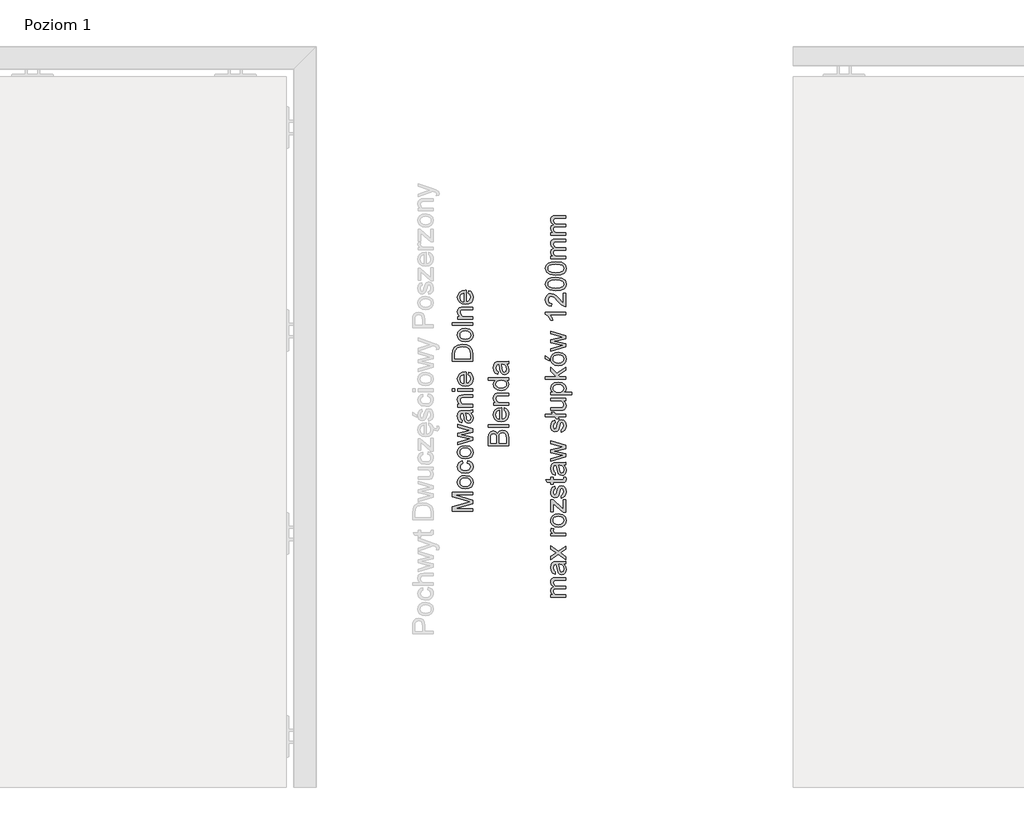
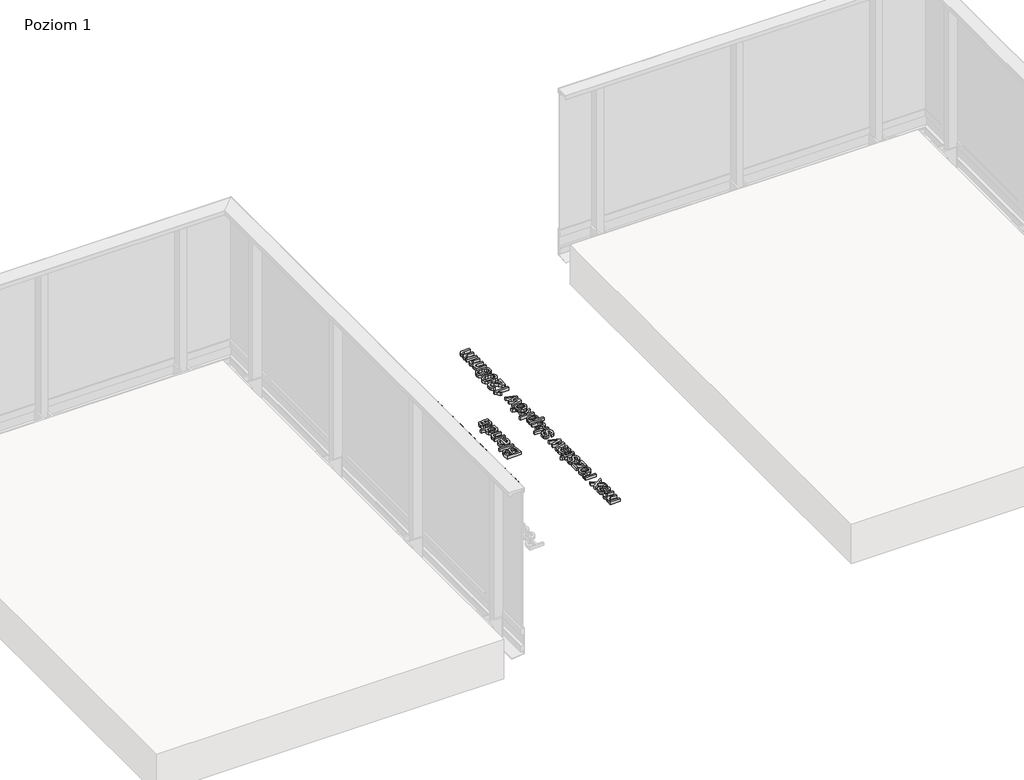
# One storey, part 23 of 35: 3 proxies.
"""IFC4 building model written with IfcOpenShell, lengths in millimetres."""

from ifc_helpers import new_model, si_unit, origin, origin_with_axes, place, context, project, spatial, polyline, outline, extrude, element, save

model = new_model("IFC4")

# Units and contexts
model_context = context("Model", 3, world=origin())
ifc_project = project(units=[si_unit("LENGTHUNIT", "METRE", prefix="MILLI")], contexts=[model_context])

# Site, building, storey
site = spatial("IfcSite", under=ifc_project)
building = spatial("IfcBuilding", under=site)
storey = spatial("IfcBuildingStorey", under=building, Name="Poziom 1", Elevation=0.0)

# Proxies
placement = place(None, origin())
element("IfcBuildingElementProxy", 1, Name="Generic Models", at=placement, inside=storey, context=model_context, shape_type="SweptSolid", body=[
    extrude(outline(polyline([(15311.0111089, -3270.0219111), (15210.5547987, -3270.0219111), (15210.5547987, -3248.4149753), (15281.3598201, -3227.8626345), (15296.1486763, -3223.7178306), (15280.1335468, -3219.2296703), (15210.5547987, -3199.020686), (15210.5547987, -3177.4137502), (15311.0111089, -3177.4137502), (15311.0111089, -3189.970789), (15223.1118375, -3189.970789), (15311.0111089, -3215.2074938), (15311.0111089, -3232.2281675), (15223.1118375, -3257.4648723), (15311.0111089, -3257.4648723), (15311.0111089, -3270.0219111)])), origin_with_axes(), (0.0, 0.0, 1.0), 20.0),
    extrude(outline(polyline([(15274.1248075, -3160.1478219), (15256.337713, -3157.4316265), (15243.8358566, -3149.2830403), (15237.7106214, -3139.2153364), (15235.6688763, -3127.1610696), (15238.1551454, -3113.9694344), (15245.6139529, -3103.432681), (15257.4566874, -3096.5256965), (15273.0947379, -3094.2233683), (15295.4374378, -3098.2945958), (15308.0803157, -3110.1526587), (15312.5807387, -3127.1610696), (15310.1036666, -3140.5121204), (15302.6724503, -3151.0366111), (15290.5813954, -3157.8700192), (15274.1248075, -3160.1478219)]), holes=[polyline([(15274.100282, -3147.5907831), (15285.46477, -3146.1376492), (15293.5612396, -3141.7782476), (15298.4080849, -3135.2176853), (15300.0237, -3127.1610696), (15298.3988878, -3119.1412421), (15293.5244514, -3112.5929426), (15285.3206829, -3108.233541), (15273.7078746, -3106.7804071), (15262.6744804, -3108.242738), (15254.6883754, -3112.6297308), (15249.8415301, -3119.1872274), (15248.225915, -3127.1610696), (15249.8353988, -3135.2176853), (15254.66385, -3141.7782476), (15262.7419254, -3146.1376492), (15274.100282, -3147.5907831)])]), origin_with_axes(), (0.0, 0.0, 1.0), 20.0),
    extrude(outline(polyline([(15284.3274015, -3033.0078043), (15285.8970314, -3020.4507656), (15297.0653156, -3023.9517759), (15305.5051417, -3030.5307322), (15310.8118395, -3039.5683666), (15312.5807387, -3050.4454109), (15310.1128637, -3063.802593), (15302.7092385, -3074.247376), (15290.6948257, -3080.9888136), (15274.3945876, -3083.2359594), (15253.5356785, -3079.3977239), (15240.1325112, -3067.6990765), (15235.6688763, -3050.6170892), (15237.2017179, -3040.0067593), (15241.8002429, -3031.5240136), (15249.2191964, -3025.4386323), (15259.213324, -3022.0203954), (15260.7829538, -3034.5774342), (15251.3774375, -3040.4022324), (15248.225915, -3050.5189873), (15249.7771508, -3058.633851), (15254.430858, -3065.0748516), (15262.4384228, -3069.2779034), (15274.0512311, -3070.6789207), (15285.8203893, -3069.3085602), (15293.8555452, -3065.1974789), (15298.4816613, -3058.8729743), (15300.0237, -3050.8623438), (15296.1732018, -3039.0288063), (15284.3274015, -3033.0078043)])), origin_with_axes(), (0.0, 0.0, 1.0), 20.0),
    extrude(outline(polyline([(15274.1248075, -3012.6026163), (15256.337713, -3009.8864209), (15243.8358566, -3001.7378348), (15237.7106214, -2991.6701308), (15235.6688763, -2979.6158641), (15238.1551454, -2966.4242289), (15245.6139529, -2955.8874754), (15257.4566874, -2948.980491), (15273.0947379, -2946.6781628), (15295.4374378, -2950.7493902), (15308.0803157, -2962.6074532), (15312.5807387, -2979.6158641), (15310.1036666, -2992.9669149), (15302.6724503, -3003.4914056), (15290.5813954, -3010.3248137), (15274.1248075, -3012.6026163)]), holes=[polyline([(15274.100282, -3000.0455776), (15285.46477, -2998.5924437), (15293.5612396, -2994.2330421), (15298.4080849, -2987.6724798), (15300.0237, -2979.6158641), (15298.3988878, -2971.5960366), (15293.5244514, -2965.0477371), (15285.3206829, -2960.6883355), (15273.7078746, -2959.2352016), (15262.6744804, -2960.6975325), (15254.6883754, -2965.0845253), (15249.8415301, -2971.6420219), (15248.225915, -2979.6158641), (15249.8353988, -2987.6724798), (15254.66385, -2994.2330421), (15262.7419254, -2998.5924437), (15274.100282, -3000.0455776)])]), origin_with_axes(), (0.0, 0.0, 1.0), 20.0),
    extrude(outline(polyline([(15311.0111089, -2920.3132865), (15237.2385061, -2942.7540882), (15237.2385061, -2929.7065401), (15280.2806996, -2916.9778231), (15295.658167, -2913.1763758), (15280.8447853, -2910.0616416), (15237.2385061, -2899.932624), (15237.2385061, -2884.9720895), (15280.722158, -2874.8921228), (15294.137588, -2872.1207451), (15279.986394, -2868.1476196), (15237.2385061, -2855.3943771), (15237.2385061, -2842.297778), (15311.0111089, -2864.910258), (15311.0111089, -2880.0915217), (15267.7481863, -2889.73003), (15254.2591798, -2892.5259331), (15311.0111089, -2904.9603446), (15311.0111089, -2920.3132865)])), origin_with_axes(), (0.0, 0.0, 1.0), 20.0),
    extrude(outline(polyline([(15301.5933298, -2786.5759185), (15310.1036666, -2798.7528126), (15312.5807387, -2812.2050308), (15311.0908167, -2822.6988648), (15306.6210504, -2830.4397151), (15299.8336276, -2835.212984), (15291.3907358, -2836.8040736), (15281.4579219, -2834.4005779), (15274.2474348, -2828.0852703), (15270.1271565, -2819.2928906), (15268.2386956, -2808.428109), (15263.9222135, -2786.6494949), (15261.1263103, -2786.5759185), (15251.8556841, -2790.0340093), (15248.225915, -2803.9154232), (15250.6416735, -2816.6196148), (15259.213324, -2822.677405), (15257.6436941, -2835.2344437), (15245.380961, -2829.8020529), (15238.1949993, -2818.863695), (15235.6688763, -2802.2967424), (15237.9006937, -2787.0786906), (15243.5047628, -2778.4825146), (15252.0273623, -2774.6320164), (15263.0147713, -2774.0188797), (15278.6374933, -2774.0188797), (15300.4528956, -2773.3812176), (15311.0111089, -2770.87962), (15311.0111089, -2783.4366588), (15301.5933298, -2786.5759185)]), holes=[polyline([(15276.4792523, -2786.5759185), (15280.3297505, -2806.8339537), (15282.3653642, -2817.6374216), (15285.6763022, -2822.5302522), (15290.507819, -2824.2470348), (15297.3013732, -2820.5069012), (15300.0237, -2809.531755), (15297.0193303, -2796.8275634), (15289.7475296, -2788.6360577), (15280.0354449, -2786.6494949), (15276.4792523, -2786.5759185)])]), origin_with_axes(), (0.0, 0.0, 1.0), 20.0),
    extrude(outline(polyline([(15311.0111089, -2756.7529514), (15237.2385061, -2756.7529514), (15237.2385061, -2744.1959127), (15247.539202, -2744.1959127), (15238.6364577, -2734.5941926), (15235.6688763, -2721.4853308), (15238.0601092, -2709.6272679), (15244.3386286, -2701.533864), (15253.5724667, -2697.7692049), (15265.7125726, -2697.1070173), (15311.0111089, -2697.1070173), (15311.0111089, -2709.6640561), (15267.4048297, -2709.6640561), (15256.2947935, -2711.1110586), (15250.4209443, -2716.2246183), (15248.225915, -2724.8453197), (15253.1555338, -2738.4692163), (15260.2985759, -2742.7642386), (15271.8684646, -2744.1959127), (15311.0111089, -2744.1959127), (15311.0111089, -2756.7529514)])), origin_with_axes(), (0.0, 0.0, 1.0), 20.0),
    extrude(outline(polyline([(15223.1118375, -2679.841089), (15210.5547987, -2679.841089), (15210.5547987, -2667.2840502), (15223.1118375, -2667.2840502), (15223.1118375, -2679.841089)])), origin_with_axes(), (0.0, 0.0, 1.0), 20.0),
    extrude(outline(polyline([(15311.0111089, -2679.841089), (15237.2385061, -2679.841089), (15237.2385061, -2667.2840502), (15311.0111089, -2667.2840502), (15311.0111089, -2679.841089)])), origin_with_axes(), (0.0, 0.0, 1.0), 20.0),
    extrude(outline(polyline([(15289.036291, -2596.7978599), (15290.6059209, -2584.4860758), (15299.8826785, -2588.9221196), (15306.8172541, -2596.0007823), (15311.1398676, -2605.5626485), (15312.5807387, -2617.4483026), (15310.0944696, -2632.1819765), (15302.6356621, -2643.5188733), (15290.6886943, -2650.7477545), (15274.7379442, -2653.1573816), (15258.2506994, -2650.7232291), (15245.9205212, -2643.4207715), (15238.2317875, -2632.2371588), (15235.6688763, -2618.1595411), (15238.2256561, -2604.5203161), (15245.8959957, -2593.621812), (15258.2016485, -2586.4757043), (15274.6643678, -2584.0936684), (15278.0488821, -2584.1672448), (15278.0488821, -2640.6003428), (15287.4482671, -2638.4267734), (15294.3583172, -2633.377593), (15298.6073543, -2626.0904638), (15300.0237, -2617.2030479), (15297.3994751, -2604.8912638), (15289.036291, -2596.7978599)]), holes=[polyline([(15265.4918434, -2640.6003428), (15265.4918434, -2596.6507071), (15254.112027, -2601.6784277), (15249.697443, -2608.9992794), (15248.225915, -2618.2085921), (15252.9225419, -2633.6718986), (15258.4131806, -2638.537138), (15265.4918434, -2640.6003428)])]), origin_with_axes(), (0.0, 0.0, 1.0), 20.0),
    extrude(outline(polyline([(15311.0111089, -2530.7262536), (15210.5547987, -2530.7262536), (15210.5547987, -2496.0717697), (15212.0018013, -2478.1436538), (15219.1877629, -2463.379323), (15236.3555893, -2451.4844718), (15260.2433936, -2447.5358718), (15280.5136915, -2450.2091476), (15295.1431322, -2457.0762782), (15304.2543429, -2466.2488026), (15309.2943262, -2478.2540184), (15311.0111089, -2494.4040379), (15311.0111089, -2530.7262536)]), holes=[polyline([(15298.4540701, -2518.1692148), (15298.4540701, -2495.9491423), (15296.6391856, -2479.78686), (15291.5133631, -2470.4671828), (15279.0421635, -2462.8275), (15260.0471898, -2460.0929105), (15246.3619796, -2461.4326141), (15236.2574875, -2465.4517249), (15225.1229257, -2478.4870103), (15223.1118375, -2496.2924988), (15223.1118375, -2518.1692148), (15298.4540701, -2518.1692148)])]), origin_with_axes(), (0.0, 0.0, 1.0), 20.0),
    extrude(outline(polyline([(15274.1248075, -2434.978833), (15256.337713, -2432.2626376), (15243.8358566, -2424.1140514), (15237.7106214, -2414.0463475), (15235.6688763, -2401.9920808), (15238.1551454, -2388.8004455), (15245.6139529, -2378.2636921), (15257.4566874, -2371.3567076), (15273.0947379, -2369.0543795), (15295.4374378, -2373.1256069), (15308.0803157, -2384.9836698), (15312.5807387, -2401.9920808), (15310.1036666, -2415.3431315), (15302.6724503, -2425.8676222), (15290.5813954, -2432.7010303), (15274.1248075, -2434.978833)]), holes=[polyline([(15274.100282, -2422.4217942), (15285.46477, -2420.9686603), (15293.5612396, -2416.6092587), (15298.4080849, -2410.0486964), (15300.0237, -2401.9920808), (15298.3988878, -2393.9722533), (15293.5244514, -2387.4239537), (15285.3206829, -2383.0645521), (15273.7078746, -2381.6114182), (15262.6744804, -2383.0737492), (15254.6883754, -2387.4607419), (15249.8415301, -2394.0182385), (15248.225915, -2401.9920808), (15249.8353988, -2410.0486964), (15254.66385, -2416.6092587), (15262.7419254, -2420.9686603), (15274.100282, -2422.4217942)])]), origin_with_axes(), (0.0, 0.0, 1.0), 20.0),
    extrude(outline(polyline([(15311.0111089, -2354.9277108), (15210.5547987, -2354.9277108), (15210.5547987, -2342.3706721), (15311.0111089, -2342.3706721), (15311.0111089, -2354.9277108)])), origin_with_axes(), (0.0, 0.0, 1.0), 20.0),
    extrude(outline(polyline([(15311.0111089, -2323.5351139), (15237.2385061, -2323.5351139), (15237.2385061, -2310.9780751), (15247.539202, -2310.9780751), (15238.6364577, -2301.3763551), (15235.6688763, -2288.2674933), (15238.0601092, -2276.4094303), (15244.3386286, -2268.3160264), (15253.5724667, -2264.5513674), (15265.7125726, -2263.8891798), (15311.0111089, -2263.8891798), (15311.0111089, -2276.4462185), (15267.4048297, -2276.4462185), (15256.2947935, -2277.893221), (15250.4209443, -2283.0067808), (15248.225915, -2291.6274822), (15253.1555338, -2305.2513788), (15260.2985759, -2309.546401), (15271.8684646, -2310.9780751), (15311.0111089, -2310.9780751), (15311.0111089, -2323.5351139)])), origin_with_axes(), (0.0, 0.0, 1.0), 20.0),
    extrude(outline(polyline([(15289.036291, -2194.9726193), (15290.6059209, -2182.6608352), (15299.8826785, -2187.096879), (15306.8172541, -2194.1755417), (15311.1398676, -2203.7374079), (15312.5807387, -2215.623062), (15310.0944696, -2230.3567359), (15302.6356621, -2241.6936327), (15290.6886943, -2248.9225139), (15274.7379442, -2251.332141), (15258.2506994, -2248.8979885), (15245.9205212, -2241.5955309), (15238.2317875, -2230.4119182), (15235.6688763, -2216.3343005), (15238.2256561, -2202.6950755), (15245.8959957, -2191.7965714), (15258.2016485, -2184.6504637), (15274.6643678, -2182.2684278), (15278.0488821, -2182.3420042), (15278.0488821, -2238.7751022), (15287.4482671, -2236.6015328), (15294.3583172, -2231.5523524), (15298.6073543, -2224.2652232), (15300.0237, -2215.3778073), (15297.3994751, -2203.0660232), (15289.036291, -2194.9726193)]), holes=[polyline([(15265.4918434, -2238.7751022), (15265.4918434, -2194.8254665), (15254.112027, -2199.8531871), (15249.697443, -2207.1740388), (15248.225915, -2216.3833515), (15252.9225419, -2231.846658), (15258.4131806, -2236.7118974), (15265.4918434, -2238.7751022)])]), origin_with_axes(), (0.0, 0.0, 1.0), 20.0),
])
element("IfcBuildingElementProxy", 2, Name="Generic Models", at=placement, inside=storey, context=model_context, shape_type="SweptSolid", body=[
    extrude(outline(polyline([(15487.3598268, -2946.9235997), (15386.9035167, -2946.9235997), (15386.9035167, -2908.5902958), (15389.8588354, -2889.8160514), (15398.9455207, -2878.7305406), (15411.796865, -2874.7206268), (15423.5323007, -2878.0928784), (15432.4227822, -2888.2832097), (15441.7915104, -2875.9101119), (15457.4142324, -2871.5813671), (15470.9155017, -2874.5366858), (15480.5294845, -2881.8575375), (15485.6307815, -2892.7836328), (15487.3598268, -2908.8846014), (15487.3598268, -2946.9235997)]), holes=[polyline([(15427.7138927, -2934.366561), (15427.7138927, -2911.4352499), (15426.6347722, -2898.0443453), (15421.9871963, -2889.9877296), (15413.8079533, -2887.2776656), (15405.6164475, -2889.8037886), (15400.7726679, -2897.0388012), (15399.4605555, -2913.176558), (15399.4605555, -2934.366561), (15427.7138927, -2934.366561)]), polyline([(15474.8027881, -2934.366561), (15474.8027881, -2908.6148213), (15474.3122788, -2899.2951441), (15471.5776893, -2891.4102067), (15465.9981457, -2886.1862823), (15457.5368598, -2884.1384059), (15447.7757242, -2886.5419016), (15441.9509259, -2894.3287372), (15440.2709315, -2909.8410946), (15440.2709315, -2934.366561), (15474.8027881, -2934.366561)])]), origin_with_axes(), (0.0, 0.0, 1.0), 20.0),
    extrude(outline(polyline([(15487.3598268, -2855.8850687), (15386.9035167, -2855.8850687), (15386.9035167, -2843.3280299), (15487.3598268, -2843.3280299), (15487.3598268, -2855.8850687)])), origin_with_axes(), (0.0, 0.0, 1.0), 20.0),
    extrude(outline(polyline([(15465.385009, -2772.8418396), (15466.9546388, -2760.5300555), (15476.2313965, -2764.9660992), (15483.1659721, -2772.044762), (15487.4885855, -2781.6066282), (15488.9294567, -2793.4922823), (15486.4431875, -2808.2259562), (15478.9843801, -2819.562853), (15467.0374123, -2826.7917342), (15451.0866621, -2829.2013613), (15434.5994174, -2826.7672087), (15422.2692392, -2819.4647511), (15414.5805055, -2808.2811385), (15412.0175942, -2794.2035208), (15414.5743741, -2780.5642958), (15422.2447137, -2769.6657917), (15434.5503664, -2762.519684), (15451.0130857, -2760.1376481), (15454.3976001, -2760.2112245), (15454.3976001, -2816.6443225), (15463.7969851, -2814.4707531), (15470.7070352, -2809.4215727), (15474.9560722, -2802.1344435), (15476.3724179, -2793.2470276), (15473.748193, -2780.9352435), (15465.385009, -2772.8418396)]), holes=[polyline([(15441.8405613, -2816.6443225), (15441.8405613, -2772.6946868), (15430.4607449, -2777.7224074), (15426.046161, -2785.0432591), (15424.574633, -2794.2525717), (15429.2712598, -2809.7158783), (15434.7618986, -2814.5811177), (15441.8405613, -2816.6443225)])]), origin_with_axes(), (0.0, 0.0, 1.0), 20.0),
    extrude(outline(polyline([(15487.3598268, -2747.5806093), (15413.5872241, -2747.5806093), (15413.5872241, -2735.0235705), (15423.8879199, -2735.0235705), (15414.9851757, -2725.4218504), (15412.0175942, -2712.3129887), (15414.4088272, -2700.4549257), (15420.6873466, -2692.3615218), (15429.9211847, -2688.5968627), (15442.0612905, -2687.9346751), (15487.3598268, -2687.9346751), (15487.3598268, -2700.4917139), (15443.7535477, -2700.4917139), (15432.6435114, -2701.9387164), (15426.7696622, -2707.0522761), (15424.574633, -2715.6729776), (15429.5042517, -2729.2968741), (15436.6472938, -2733.5918964), (15448.2171826, -2735.0235705), (15487.3598268, -2735.0235705), (15487.3598268, -2747.5806093)])), origin_with_axes(), (0.0, 0.0, 1.0), 20.0),
    extrude(outline(polyline([(15487.3598268, -2625.1494813), (15475.5140266, -2625.1494813), (15485.5755992, -2633.457483), (15488.9294567, -2644.9415326), (15484.0734144, -2660.4906783), (15470.5230942, -2671.4780872), (15450.5471019, -2675.3776364), (15430.5588468, -2671.7846555), (15416.8000602, -2661.0179758), (15412.0175942, -2644.9905836), (15415.4388968, -2633.4145634), (15424.3293783, -2625.1494813), (15386.9035167, -2625.1494813), (15386.9035167, -2612.5924425), (15487.3598268, -2612.5924425), (15487.3598268, -2625.1494813)]), holes=[polyline([(15450.4980509, -2662.8205976), (15461.8564075, -2661.4042519), (15469.934483, -2657.1552149), (15474.7629342, -2650.9809287), (15476.3724179, -2643.7888357), (15474.8365106, -2636.5998084), (15470.2287886, -2630.5818721), (15462.4634128, -2626.507579), (15451.4545441, -2625.1494813), (15439.4186715, -2626.5321045), (15431.0738816, -2630.6799739), (15426.1994452, -2636.8511944), (15424.574633, -2644.3038705), (15426.1350658, -2651.5695399), (15430.8163642, -2657.5230969), (15438.8576515, -2661.4962224), (15450.4980509, -2662.8205976)])]), origin_with_axes(), (0.0, 0.0, 1.0), 20.0),
    extrude(outline(polyline([(15477.9420478, -2546.667989), (15486.4523846, -2558.844883), (15488.9294567, -2572.2971013), (15487.4395346, -2582.7909352), (15482.9697684, -2590.5317855), (15476.1823456, -2595.3050544), (15467.7394538, -2596.8961441), (15457.8066399, -2594.4926484), (15450.5961528, -2588.1773408), (15446.4758745, -2579.3849611), (15444.5874135, -2568.5201795), (15440.2709315, -2546.7415654), (15437.4750283, -2546.667989), (15428.204402, -2550.1260797), (15424.574633, -2564.0074937), (15426.9903914, -2576.7116853), (15435.5620419, -2582.7694754), (15433.9924121, -2595.3265142), (15421.7296789, -2589.8941234), (15414.5437173, -2578.9557654), (15412.0175942, -2562.3888129), (15414.2494117, -2547.170761), (15419.8534807, -2538.5745851), (15428.3760803, -2534.7240869), (15439.3634892, -2534.1109502), (15454.9862113, -2534.1109502), (15476.8016136, -2533.4732881), (15487.3598268, -2530.9716905), (15487.3598268, -2543.5287293), (15477.9420478, -2546.667989)]), holes=[polyline([(15452.8279702, -2546.667989), (15456.6784685, -2566.9260242), (15458.7140822, -2577.7294921), (15462.0250201, -2582.6223226), (15466.856537, -2584.3391053), (15473.6500912, -2580.5989717), (15476.3724179, -2569.6238255), (15473.3680483, -2556.9196339), (15466.0962475, -2548.7281282), (15456.3841629, -2546.7415654), (15452.8279702, -2546.667989)])]), origin_with_axes(), (0.0, 0.0, 1.0), 20.0),
])
element("IfcBuildingElementProxy", 3, Name="Generic Models", at=placement, inside=storey, context=model_context, shape_type="SweptSolid", body=[
    extrude(outline(polyline([(15769.7173752, -3695.0976583), (15695.9447724, -3695.0976583), (15695.9447724, -3682.5406196), (15708.0848783, -3682.5406196), (15698.1398017, -3673.9076554), (15694.3751426, -3661.6203968), (15698.2133781, -3649.0388325), (15708.9677951, -3642.122651), (15698.0233057, -3632.3247272), (15694.3751426, -3619.9516294), (15695.8926558, -3610.5123906), (15700.4451955, -3603.5318297), (15708.155389, -3599.2184133), (15719.1458636, -3597.7806079), (15769.7173752, -3597.7806079), (15769.7173752, -3610.3376466), (15724.5414662, -3610.3376466), (15714.0568293, -3611.5026063), (15708.8942187, -3615.7209865), (15706.9321813, -3622.8946854), (15711.959902, -3635.2432577), (15718.5020701, -3638.9312747), (15728.0731333, -3640.1606137), (15769.7173752, -3640.1606137), (15769.7173752, -3652.7176525), (15723.1435146, -3652.7176525), (15710.9788833, -3655.6239202), (15706.9321813, -3665.1520639), (15709.6299826, -3674.4472157), (15717.5271828, -3680.6276332), (15732.5122427, -3682.5406196), (15769.7173752, -3682.5406196), (15769.7173752, -3695.0976583)])), origin_with_axes(), (0.0, 0.0, 1.0), 20.0),
    extrude(outline(polyline([(15760.2995961, -3531.8561543), (15768.8099329, -3544.0330484), (15771.287005, -3557.4852667), (15769.797083, -3567.9791006), (15765.3273167, -3575.7199509), (15758.5398939, -3580.4932198), (15750.0970021, -3582.0843094), (15740.1641882, -3579.6808137), (15732.9537011, -3573.3655061), (15728.8334228, -3564.5731264), (15726.9449619, -3553.7083448), (15722.6284798, -3531.9297307), (15719.8325766, -3531.8561543), (15710.5619504, -3535.3142451), (15706.9321813, -3549.195659), (15709.3479398, -3561.8998506), (15717.9195903, -3567.9576408), (15716.3499604, -3580.5146796), (15704.0872273, -3575.0822888), (15696.9012656, -3564.1439308), (15694.3751426, -3547.5769783), (15696.60696, -3532.3589264), (15702.2110291, -3523.7627504), (15710.7336286, -3519.9122522), (15721.7210376, -3519.2991156), (15737.3437596, -3519.2991156), (15759.1591619, -3518.6614534), (15769.7173752, -3516.1598559), (15769.7173752, -3528.7168946), (15760.2995961, -3531.8561543)]), holes=[polyline([(15735.1855186, -3531.8561543), (15739.0360168, -3552.1141895), (15741.0716305, -3562.9176575), (15744.3825685, -3567.810488), (15749.2140853, -3569.5272706), (15756.0076395, -3565.787137), (15758.7299663, -3554.8119908), (15755.7255966, -3542.1077993), (15748.4537959, -3533.9162935), (15738.7417112, -3531.9297307), (15735.1855186, -3531.8561543)])]), origin_with_axes(), (0.0, 0.0, 1.0), 20.0),
    extrude(outline(polyline([(15769.7173752, -3509.8813365), (15732.6348701, -3483.0504763), (15695.9447724, -3508.3117066), (15695.9447724, -3493.2040194), (15713.6031082, -3481.0148626), (15721.9417668, -3475.3249544), (15715.1236871, -3470.3953357), (15695.9447724, -3456.5139217), (15695.9447724, -3441.4062344), (15732.6348701, -3467.942789), (15769.7173752, -3442.3872531), (15769.7173752, -3457.4949404), (15747.4237263, -3472.8724078), (15743.3524989, -3475.6928364), (15769.7173752, -3494.7736492), (15769.7173752, -3509.8813365)])), origin_with_axes(), (0.0, 0.0, 1.0), 20.0),
    extrude(outline(polyline([(15769.7173752, -3392.159098), (15695.9447724, -3392.159098), (15695.9447724, -3381.1716891), (15706.858605, -3381.1716891), (15696.8031637, -3373.3725908), (15694.3751426, -3365.5244416), (15698.2501663, -3352.9183519), (15709.5073553, -3357.1122066), (15706.9321813, -3365.9413745), (15709.4092535, -3373.041497), (15716.276384, -3377.5664456), (15730.9426129, -3379.6020593), (15769.7173752, -3379.6020593), (15769.7173752, -3392.159098)])), origin_with_axes(), (0.0, 0.0, 1.0), 20.0),
    extrude(outline(polyline([(15732.8310738, -3348.2094623), (15715.0439793, -3345.4932669), (15702.5421229, -3337.3446807), (15696.4168877, -3327.2769768), (15694.3751426, -3315.2227101), (15696.8614117, -3302.0310749), (15704.3202192, -3291.4943214), (15716.1629537, -3284.587337), (15731.8010042, -3282.2850088), (15754.1437041, -3286.3562362), (15766.786582, -3298.2142992), (15771.287005, -3315.2227101), (15768.8099329, -3328.5737608), (15761.3787166, -3339.0982516), (15749.2876617, -3345.9316596), (15732.8310738, -3348.2094623)]), holes=[polyline([(15732.8065483, -3335.6524236), (15744.1710363, -3334.1992897), (15752.2675059, -3329.839888), (15757.1143512, -3323.2793258), (15758.7299663, -3315.2227101), (15757.1051541, -3307.2028826), (15752.2307177, -3300.6545831), (15744.0269492, -3296.2951815), (15732.4141409, -3294.8420476), (15721.3807467, -3296.3043785), (15713.3946417, -3300.6913713), (15708.5477964, -3307.2488679), (15706.9321813, -3315.2227101), (15708.5416651, -3323.2793258), (15713.3701163, -3329.839888), (15721.4481917, -3334.1992897), (15732.8065483, -3335.6524236)])]), origin_with_axes(), (0.0, 0.0, 1.0), 20.0),
    extrude(outline(polyline([(15769.7173752, -3276.0064894), (15757.8961004, -3276.0064894), (15708.5018112, -3232.6699904), (15708.5018112, -3245.4968093), (15708.5018112, -3272.8672297), (15695.9447724, -3272.8672297), (15695.9447724, -3214.7909254), (15706.6133503, -3214.7909254), (15750.4403586, -3253.2223312), (15757.1603364, -3259.1084431), (15757.1603364, -3244.589367), (15757.1603364, -3213.2212956), (15769.7173752, -3213.2212956), (15769.7173752, -3276.0064894)])), origin_with_axes(), (0.0, 0.0, 1.0), 20.0),
    extrude(outline(polyline([(15747.7425573, -3205.3731463), (15746.1729275, -3192.8161076), (15755.4926047, -3187.003572), (15758.7299663, -3173.6862438), (15755.7623848, -3160.8839504), (15748.7971524, -3156.7146211), (15743.1562951, -3160.9084759), (15739.5755771, -3173.8333966), (15733.4319477, -3192.7425312), (15726.2582488, -3200.9953506), (15716.1292312, -3203.8035165), (15706.7727658, -3201.5471736), (15699.6235924, -3195.3912815), (15695.9079842, -3187.4082422), (15694.3751426, -3176.6047743), (15696.8399519, -3161.3254088), (15703.5108788, -3151.6133241), (15714.7803306, -3147.296842), (15716.3499604, -3159.8538808), (15709.4215162, -3164.5750331), (15706.9321813, -3175.6237557), (15709.3111516, -3187.6412342), (15714.853907, -3191.2464777), (15718.5082015, -3189.7504243), (15721.2795792, -3185.0660602), (15723.952855, -3174.2503296), (15729.8634924, -3155.8194416), (15736.5589447, -3147.2600538), (15747.4727772, -3144.1575823), (15759.4902557, -3147.7996141), (15768.209059, -3158.3087764), (15771.287005, -3173.8579221), (15769.8032143, -3186.5191941), (15765.3518422, -3195.7591635), (15757.9819395, -3201.9273183), (15747.7425573, -3205.3731463)])), origin_with_axes(), (0.0, 0.0, 1.0), 20.0),
    extrude(outline(polyline([(15759.2450011, -3103.3472063), (15770.0852572, -3101.7775765), (15771.287005, -3111.1708301), (15769.2023404, -3121.6922552), (15763.7331614, -3126.940705), (15749.4838655, -3128.4612839), (15708.5018112, -3128.4612839), (15708.5018112, -3137.879063), (15695.9447724, -3137.879063), (15695.9447724, -3128.4612839), (15678.0166565, -3128.4612839), (15670.6344912, -3115.9042451), (15695.9447724, -3115.9042451), (15695.9447724, -3103.3472063), (15708.5018112, -3103.3472063), (15708.5018112, -3115.9042451), (15749.1159835, -3115.9042451), (15755.5907066, -3115.2420575), (15757.8838377, -3113.0960792), (15758.7299663, -3108.8163853), (15759.2450011, -3103.3472063)])), origin_with_axes(), (0.0, 0.0, 1.0), 20.0),
    extrude(outline(polyline([(15760.2995961, -3043.7012722), (15768.8099329, -3055.8781662), (15771.287005, -3069.3303845), (15769.797083, -3079.8242184), (15765.3273167, -3087.5650688), (15758.5398939, -3092.3383376), (15750.0970021, -3093.9294273), (15740.1641882, -3091.5259316), (15732.9537011, -3085.210624), (15728.8334228, -3076.4182443), (15726.9449619, -3065.5534627), (15722.6284798, -3043.7748486), (15719.8325766, -3043.7012722), (15710.5619504, -3047.1593629), (15706.9321813, -3061.0407769), (15709.3479398, -3073.7449685), (15717.9195903, -3079.8027587), (15716.3499604, -3092.3597974), (15704.0872273, -3086.9274066), (15696.9012656, -3075.9890486), (15694.3751426, -3059.4220961), (15696.60696, -3044.2040443), (15702.2110291, -3035.6078683), (15710.7336286, -3031.7573701), (15721.7210376, -3031.1442334), (15737.3437596, -3031.1442334), (15759.1591619, -3030.5065713), (15769.7173752, -3028.0049737), (15769.7173752, -3040.5620125), (15760.2995961, -3043.7012722)]), holes=[polyline([(15735.1855186, -3043.7012722), (15739.0360168, -3063.9593074), (15741.0716305, -3074.7627753), (15744.3825685, -3079.6556059), (15749.2140853, -3081.3723885), (15756.0076395, -3077.6322549), (15758.7299663, -3066.6571087), (15755.7255966, -3053.9529171), (15748.4537959, -3045.7614114), (15738.7417112, -3043.7748486), (15735.1855186, -3043.7012722)])]), origin_with_axes(), (0.0, 0.0, 1.0), 20.0),
    extrude(outline(polyline([(15769.7173752, -3001.6400974), (15695.9447724, -3024.0808991), (15695.9447724, -3011.033351), (15738.9869659, -2998.304634), (15754.3644333, -2994.5031867), (15739.5510516, -2991.3884525), (15695.9447724, -2981.2594349), (15695.9447724, -2966.2989004), (15739.4284243, -2956.2189337), (15752.8438543, -2953.447556), (15738.6926603, -2949.4744305), (15695.9447724, -2936.721188), (15695.9447724, -2923.624589), (15769.7173752, -2946.2370689), (15769.7173752, -2961.4183326), (15726.4544526, -2971.0568409), (15712.9654461, -2973.852744), (15769.7173752, -2986.2871555), (15769.7173752, -3001.6400974)])), origin_with_axes(), (0.0, 0.0, 1.0), 20.0),
    extrude(outline(polyline([(15747.7425573, -2880.4597682), (15746.1729275, -2867.9027294), (15755.4926047, -2862.0901939), (15758.7299663, -2848.7728657), (15755.7623848, -2835.9705723), (15748.7971524, -2831.801243), (15743.1562951, -2835.9950977), (15739.5755771, -2848.9200185), (15733.4319477, -2867.829153), (15726.2582488, -2876.0819725), (15716.1292312, -2878.8901384), (15706.7727658, -2876.6337955), (15699.6235924, -2870.4779034), (15695.9079842, -2862.4948641), (15694.3751426, -2851.6913962), (15696.8399519, -2836.4120306), (15703.5108788, -2826.699946), (15714.7803306, -2822.3834639), (15716.3499604, -2834.9405027), (15709.4215162, -2839.6616549), (15706.9321813, -2850.7103775), (15709.3111516, -2862.727856), (15714.853907, -2866.3330996), (15718.5082015, -2864.8370461), (15721.2795792, -2860.1526821), (15723.952855, -2849.3369514), (15729.8634924, -2830.9060635), (15736.5589447, -2822.3466757), (15747.4727772, -2819.2442042), (15759.4902557, -2822.886236), (15768.209059, -2833.3953983), (15771.287005, -2848.9445439), (15769.8032143, -2861.6058159), (15765.3518422, -2870.8457854), (15757.9819395, -2877.0139402), (15747.7425573, -2880.4597682)])), origin_with_axes(), (0.0, 0.0, 1.0), 20.0),
    extrude(outline(polyline([(15730.0106452, -2805.1175356), (15737.5399633, -2814.5353147), (15723.4132947, -2814.5353147), (15715.8839766, -2805.1175356), (15669.261065, -2805.1175356), (15669.261065, -2792.5604968), (15705.8285354, -2792.5604968), (15698.2992172, -2783.1427177), (15712.4258858, -2783.1427177), (15719.955204, -2792.5604968), (15769.7173752, -2792.5604968), (15769.7173752, -2805.1175356), (15730.0106452, -2805.1175356)])), origin_with_axes(), (0.0, 0.0, 1.0), 20.0),
    extrude(outline(polyline([(15769.7173752, -2726.6360433), (15757.0377091, -2726.6360433), (15767.7246811, -2736.4707553), (15771.287005, -2749.2975742), (15768.7854075, -2761.1065862), (15762.5068881, -2769.2490411), (15753.2607873, -2772.9891747), (15741.5866653, -2773.7249387), (15695.9447724, -2773.7249387), (15695.9447724, -2761.1678999), (15735.6760279, -2761.1678999), (15748.4783213, -2760.4076104), (15755.9953768, -2755.4412035), (15758.7299663, -2746.0847381), (15755.9340631, -2735.6001012), (15748.3189058, -2728.671657), (15734.3271273, -2726.6360433), (15695.9447724, -2726.6360433), (15695.9447724, -2714.0790045), (15769.7173752, -2714.0790045), (15769.7173752, -2726.6360433)])), origin_with_axes(), (0.0, 0.0, 1.0), 20.0),
    extrude(outline(polyline([(15797.9707124, -2696.8130762), (15695.9447724, -2696.8130762), (15695.9447724, -2684.2560374), (15708.2565565, -2684.2560374), (15697.8454961, -2675.5740224), (15694.3751426, -2663.8508494), (15699.2311849, -2647.9338218), (15712.9163951, -2637.5350241), (15732.2669881, -2634.0278824), (15752.6108624, -2637.9887452), (15766.4677509, -2649.4911889), (15771.287005, -2665.3714284), (15768.0619062, -2676.2975236), (15759.9071887, -2684.2560374), (15797.9707124, -2684.2560374), (15797.9707124, -2696.8130762)]), holes=[polyline([(15733.419685, -2684.2560374), (15744.6768741, -2682.8979397), (15752.5495488, -2678.8236466), (15757.1848619, -2672.8118417), (15758.7299663, -2665.6412085), (15757.1296796, -2658.3540793), (15752.3288196, -2652.1889902), (15744.1679706, -2647.9859384), (15732.4877173, -2646.5849211), (15721.2918419, -2647.9522159), (15713.3088026, -2652.0541001), (15708.5263367, -2658.056708), (15706.9321813, -2665.1261737), (15708.6275042, -2672.2232305), (15713.7134728, -2678.4557647), (15722.0306716, -2682.8059692), (15733.419685, -2684.2560374)])]), origin_with_axes(), (0.0, 0.0, 1.0), 20.0),
    extrude(outline(polyline([(15769.7173752, -2619.9012138), (15669.261065, -2619.9012138), (15669.261065, -2607.344175), (15723.2416165, -2607.344175), (15695.9447724, -2579.1889396), (15695.9447724, -2561.8249094), (15723.584973, -2590.3235013), (15769.7173752, -2560.2552796), (15769.7173752, -2574.9215085), (15732.316039, -2599.3243475), (15740.0906118, -2607.344175), (15769.7173752, -2607.344175), (15769.7173752, -2619.9012138)])), origin_with_axes(), (0.0, 0.0, 1.0), 20.0),
    extrude(outline(polyline([(15732.8310738, -2552.4071304), (15715.0439793, -2549.690935), (15702.5421229, -2541.5423488), (15696.4168877, -2531.4746448), (15694.3751426, -2519.4203781), (15696.8614117, -2506.2287429), (15704.3202192, -2495.6919894), (15716.1629537, -2488.785005), (15731.8010042, -2486.4826768), (15754.1437041, -2490.5539042), (15766.786582, -2502.4119672), (15771.287005, -2519.4203781), (15768.8099329, -2532.7714289), (15761.3787166, -2543.2959196), (15749.2876617, -2550.1293277), (15732.8310738, -2552.4071304)]), holes=[polyline([(15732.8065483, -2539.8500916), (15744.1710363, -2538.3969577), (15752.2675059, -2534.0375561), (15757.1143512, -2527.4769938), (15758.7299663, -2519.4203781), (15757.1051541, -2511.4005506), (15752.2307177, -2504.8522511), (15744.0269492, -2500.4928495), (15732.4141409, -2499.0397156), (15721.3807467, -2500.5020465), (15713.3946417, -2504.8890393), (15708.5477964, -2511.4465359), (15706.9321813, -2519.4203781), (15708.5416651, -2527.4769938), (15713.3701163, -2534.0375561), (15721.4481917, -2538.3969577), (15732.8065483, -2539.8500916)])]), origin_with_axes(), (0.0, 0.0, 1.0), 20.0),
    extrude(outline(polyline([(15688.0966232, -2528.8626827), (15669.261065, -2519.4449036), (15669.261065, -2503.7486051), (15688.0966232, -2519.4449036), (15688.0966232, -2528.8626827)])), origin_with_axes(), (0.0, 0.0, 1.0), 20.0),
    extrude(outline(polyline([(15769.7173752, -2460.1178005), (15695.9447724, -2482.5586022), (15695.9447724, -2469.5110541), (15738.9869659, -2456.7823371), (15754.3644333, -2452.9808898), (15739.5510516, -2449.8661556), (15695.9447724, -2439.737138), (15695.9447724, -2424.7766035), (15739.4284243, -2414.6966368), (15752.8438543, -2411.9252591), (15738.6926603, -2407.9521336), (15695.9447724, -2395.1988911), (15695.9447724, -2382.1022921), (15769.7173752, -2404.714772), (15769.7173752, -2419.8960357), (15726.4544526, -2429.534544), (15712.9654461, -2432.3304471), (15769.7173752, -2444.7648586), (15769.7173752, -2460.1178005)])), origin_with_axes(), (0.0, 0.0, 1.0), 20.0),
    extrude(outline(polyline([(15769.7173752, -2290.2789461), (15769.7173752, -2302.8359848), (15691.4320866, -2302.8359848), (15699.9056352, -2314.730836), (15706.2454683, -2327.9500624), (15694.3751426, -2327.9500624), (15682.6274442, -2309.5436999), (15669.261065, -2298.37235), (15669.261065, -2290.2789461), (15769.7173752, -2290.2789461)])), origin_with_axes(), (0.0, 0.0, 1.0), 20.0),
    extrude(outline(polyline([(15757.1603364, -2196.1011553), (15769.7173752, -2196.1011553), (15769.7173752, -2262.0256088), (15761.0598856, -2260.6767082), (15747.7302946, -2253.0492882), (15733.1744303, -2237.3284642), (15712.2542075, -2215.647952), (15698.0294371, -2210.2278239), (15686.5147306, -2215.3413837), (15681.8181038, -2228.6955001), (15686.404366, -2242.6137022), (15699.0840321, -2247.8989402), (15697.5144023, -2260.455979), (15685.3681651, -2257.4117555), (15676.4960776, -2250.8297335), (15671.0698182, -2241.0532694), (15669.261065, -2228.42572), (15671.2721533, -2215.7062), (15677.305418, -2205.94813), (15686.3185269, -2199.7401214), (15697.2691476, -2197.6707852), (15709.1762615, -2199.9026026), (15721.4880456, -2207.3215562), (15738.6926603, -2225.3109857), (15750.7714524, -2239.7564854), (15757.1603364, -2245.4218681), (15757.1603364, -2196.1011553)])), origin_with_axes(), (0.0, 0.0, 1.0), 20.0),
    extrude(outline(polyline([(15720.2985605, -2183.5441165), (15691.3952984, -2179.8530339), (15674.730244, -2168.8901504), (15669.261065, -2150.5818898), (15672.4984266, -2135.9156609), (15681.8303665, -2125.7866433), (15696.6927992, -2119.9005314), (15720.2985605, -2117.619663), (15749.0791953, -2121.2739575), (15765.7810378, -2132.2000527), (15769.9105132, -2140.4314124), (15771.287005, -2150.5818898), (15768.8957721, -2163.6294379), (15761.7220732, -2173.5377263), (15744.7320564, -2181.042519), (15720.2985605, -2183.5441165)]), holes=[polyline([(15720.274035, -2170.9870778), (15740.0262325, -2169.5155498), (15751.4581655, -2165.1009658), (15756.9120161, -2158.5281409), (15758.7299663, -2150.5818898), (15756.9058847, -2142.6356387), (15751.43364, -2136.0628137), (15739.9955757, -2131.6482298), (15720.274035, -2130.1767018), (15700.9663617, -2131.5991788), (15689.4455238, -2135.86661), (15683.7249588, -2142.4271722), (15681.8181038, -2150.7290426), (15683.4980983, -2158.5894545), (15688.5380816, -2164.9047621), (15700.7762893, -2169.4664989), (15720.274035, -2170.9870778)])]), origin_with_axes(), (0.0, 0.0, 1.0), 20.0),
    extrude(outline(polyline([(15720.2985605, -2106.6322541), (15691.3952984, -2102.9411714), (15674.730244, -2091.9782879), (15669.261065, -2073.6700273), (15672.4984266, -2059.0037984), (15681.8303665, -2048.8747808), (15696.6927992, -2042.9886689), (15720.2985605, -2040.7078005), (15749.0791953, -2044.362095), (15765.7810378, -2055.2881903), (15769.9105132, -2063.5195499), (15771.287005, -2073.6700273), (15768.8957721, -2086.7175754), (15761.7220732, -2096.6258638), (15744.7320564, -2104.1306565), (15720.2985605, -2106.6322541)]), holes=[polyline([(15720.274035, -2094.0752153), (15740.0262325, -2092.6036873), (15751.4581655, -2088.1891034), (15756.9120161, -2081.6162784), (15758.7299663, -2073.6700273), (15756.9058847, -2065.7237762), (15751.43364, -2059.1509512), (15739.9955757, -2054.7363673), (15720.274035, -2053.2648393), (15700.9663617, -2054.6873164), (15689.4455238, -2058.9547475), (15683.7249588, -2065.5153098), (15681.8181038, -2073.8171801), (15683.4980983, -2081.6775921), (15688.5380816, -2087.9928997), (15700.7762893, -2092.5546364), (15720.274035, -2094.0752153)])]), origin_with_axes(), (0.0, 0.0, 1.0), 20.0),
    extrude(outline(polyline([(15769.7173752, -2026.5811319), (15695.9447724, -2026.5811319), (15695.9447724, -2014.0240932), (15708.0848783, -2014.0240932), (15698.1398017, -2005.391129), (15694.3751426, -1993.1038704), (15698.2133781, -1980.5223061), (15708.9677951, -1973.6061246), (15698.0233057, -1963.8082008), (15694.3751426, -1951.435103), (15695.8926558, -1941.9958642), (15700.4451955, -1935.0153033), (15708.155389, -1930.7018869), (15719.1458636, -1929.2640815), (15769.7173752, -1929.2640815), (15769.7173752, -1941.8211202), (15724.5414662, -1941.8211202), (15714.0568293, -1942.9860799), (15708.8942187, -1947.2044601), (15706.9321813, -1954.378159), (15711.959902, -1966.7267313), (15718.5020701, -1970.4147483), (15728.0731333, -1971.6440873), (15769.7173752, -1971.6440873), (15769.7173752, -1984.2011261), (15723.1435146, -1984.2011261), (15710.9788833, -1987.1073938), (15706.9321813, -1996.6355375), (15709.6299826, -2005.9306893), (15717.5271828, -2012.1111068), (15732.5122427, -2014.0240932), (15769.7173752, -2014.0240932), (15769.7173752, -2026.5811319)])), origin_with_axes(), (0.0, 0.0, 1.0), 20.0),
    extrude(outline(polyline([(15769.7173752, -1910.4285233), (15695.9447724, -1910.4285233), (15695.9447724, -1897.8714846), (15708.0848783, -1897.8714846), (15698.1398017, -1889.2385204), (15694.3751426, -1876.9512618), (15698.2133781, -1864.3696975), (15708.9677951, -1857.453516), (15698.0233057, -1847.6555922), (15694.3751426, -1835.2824944), (15695.8926558, -1825.8432556), (15700.4451955, -1818.8626947), (15708.155389, -1814.5492783), (15719.1458636, -1813.1114729), (15769.7173752, -1813.1114729), (15769.7173752, -1825.6685116), (15724.5414662, -1825.6685116), (15714.0568293, -1826.8334713), (15708.8942187, -1831.0518515), (15706.9321813, -1838.2255504), (15711.959902, -1850.5741227), (15718.5020701, -1854.2621397), (15728.0731333, -1855.4914787), (15769.7173752, -1855.4914787), (15769.7173752, -1868.0485175), (15723.1435146, -1868.0485175), (15710.9788833, -1870.9547852), (15706.9321813, -1880.4829289), (15709.6299826, -1889.7780807), (15717.5271828, -1895.9584982), (15732.5122427, -1897.8714846), (15769.7173752, -1897.8714846), (15769.7173752, -1910.4285233)])), origin_with_axes(), (0.0, 0.0, 1.0), 20.0),
])

save(model, "model.ifc")
